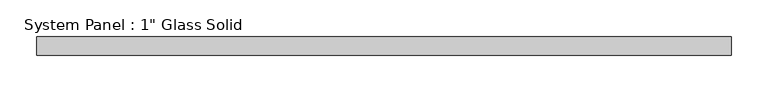
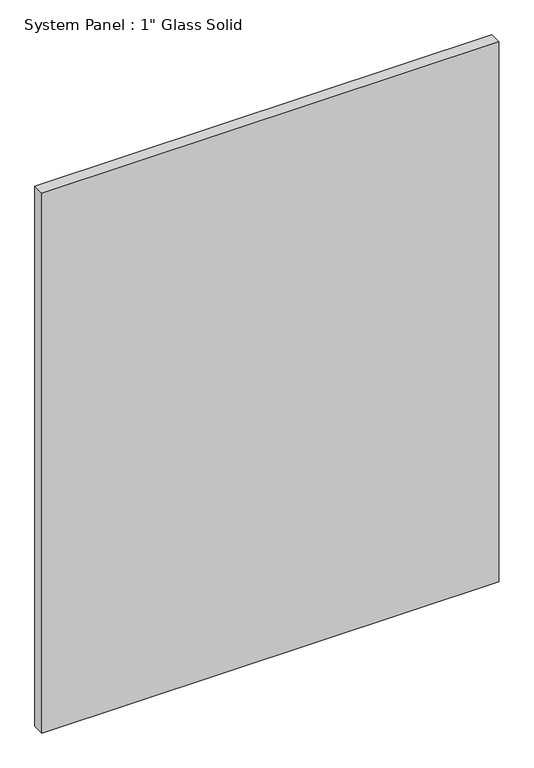
"""IFC4 building model written with IfcOpenShell, lengths in millimetres: plate geometry."""

from ifc_helpers import new_model, si_unit, origin, origin_with_axes, place, context, project, spatial, polyline, outline, extrude, source, transform, mapped, element, save


def plate_8d5ea329(model_context):
    return source(origin(), model_context, "Body", "SweptSolid", [
        extrude(outline(polyline([(475.2422013, -12.7), (-475.2422013, -12.7), (-475.2422013, 12.7), (475.2422013, 12.7), (475.2422013, -12.7)])), origin_with_axes(), (0.0, 0.0, 1.0), 1187.4517704),
    ])


if __name__ == "__main__":
    model = new_model("IFC4")
    model_context = context("Model", 3, world=origin())
    ifc_project = project(units=[si_unit("LENGTHUNIT", "METRE", prefix="MILLI")], contexts=[model_context])
    site = spatial("IfcSite", under=ifc_project)
    building = spatial("IfcBuilding", under=site)
    placement = place(None, origin())
    plate_shape = plate_8d5ea329(model_context)
    element("IfcPlate", 1, ObjectType="System Panel : 1\" Glass Solid", at=placement, inside=building, context=model_context, shape_type="MappedRepresentation", body=[
        mapped(plate_shape, transform((0.0, 0.0, 0.0), x_axis=(1.0, 0.0, 0.0), y_axis=(0.0, 1.0, 0.0), z_axis=(0.0, 0.0, 1.0))),
    ])
    save(model, "model.ifc")
